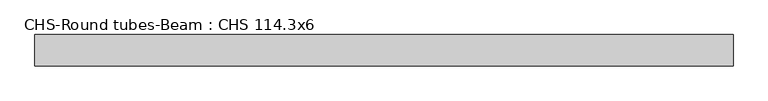
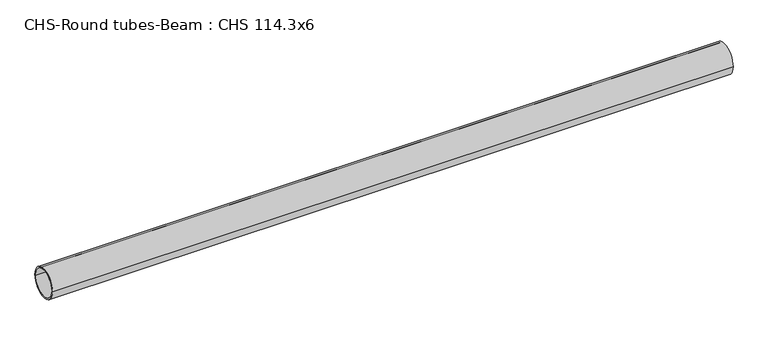
"""IFC4 building model written with IfcOpenShell, lengths in millimetres: beam geometry, CHS-Round tubes-Beam : CHS 114.3x6."""

from ifc_helpers import new_model, si_unit, point, frame, origin, origin_2d, place, context, project, spatial, circle_curve, trimmed, segment, composite_curve, outline, extrude, source, transform, mapped, element, save


def chs_round_tubes_beam_chs_114_3x6_a7c5c66d(model_context):
    return source(origin(), model_context, "Body", "SweptSolid", [
        extrude(outline(composite_curve([segment(trimmed(circle_curve(origin_2d(), 57.15), [point((57.15, 0.0))], [point((-57.15, 0.0))], False, "CARTESIAN"), True, "CONTINUOUS"), segment(trimmed(circle_curve(origin_2d(), 57.15), [point((-57.15, 0.0))], [point((57.15, 0.0))], False, "CARTESIAN"), True, "CONTINUOUS")], self_intersect=False), holes=[composite_curve([segment(trimmed(circle_curve(origin_2d(), 51.15), [point((51.15, 0.0))], [point((-51.15, 0.0))], True, "CARTESIAN"), True, "CONTINUOUS"), segment(trimmed(circle_curve(origin_2d(), 51.15), [point((-51.15, 0.0))], [point((51.15, 0.0))], True, "CARTESIAN"), True, "CONTINUOUS")], self_intersect=False)]), frame((-1251.1938956, 0.0, 0.0), z_axis=(1.0, 0.0, 0.0), x_axis=(0.0, 1.0, 0.0)), (0.0, 0.0, 1.0), 2559.4317342),
    ])


if __name__ == "__main__":
    model = new_model("IFC4")
    model_context = context("Model", 3, world=origin())
    ifc_project = project(units=[si_unit("LENGTHUNIT", "METRE", prefix="MILLI")], contexts=[model_context])
    site = spatial("IfcSite", under=ifc_project)
    building = spatial("IfcBuilding", under=site)
    placement = place(None, origin())
    chs_round_tubes_beam_chs_114_3x6_shape = chs_round_tubes_beam_chs_114_3x6_a7c5c66d(model_context)
    element("IfcBeam", 1, ObjectType="CHS-Round tubes-Beam : CHS 114.3x6", at=placement, inside=building, context=model_context, shape_type="MappedRepresentation", body=[
        mapped(chs_round_tubes_beam_chs_114_3x6_shape, transform((0.0, 0.0, 0.0), x_axis=(1.0, 0.0, 0.0), y_axis=(0.0, 1.0, 0.0), z_axis=(0.0, 0.0, 1.0))),
    ])
    save(model, "model.ifc")
